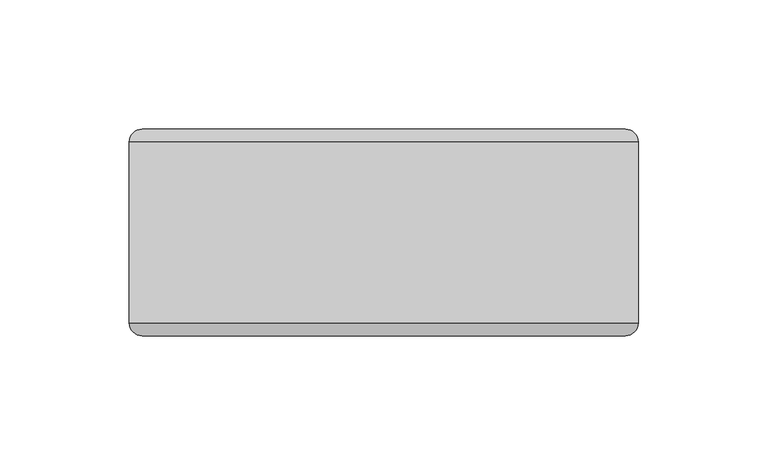
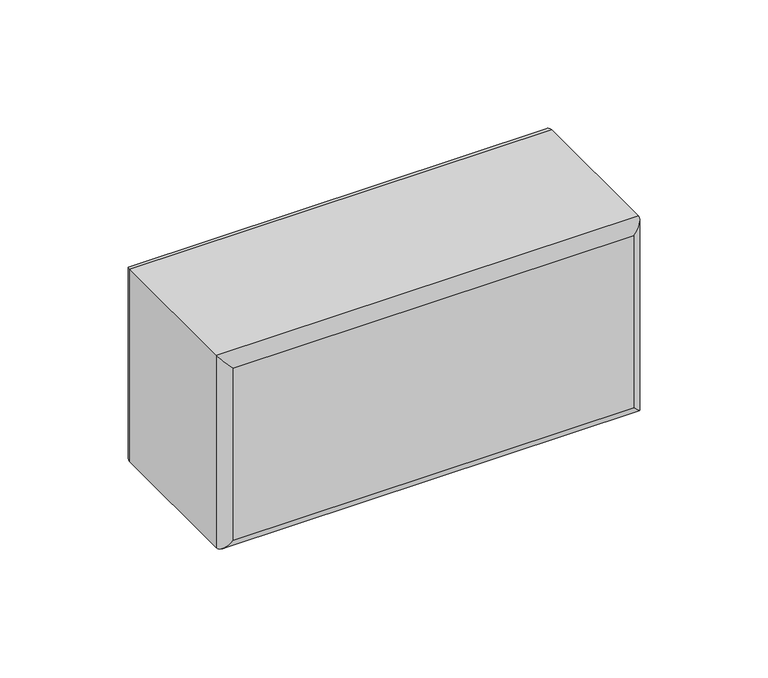
"""IFC4 building model written with IfcOpenShell, lengths in millimetres: plate geometry."""

from ifc_helpers import new_model, si_unit, frame, origin, place, context, project, spatial, ellipse_curve, source, transform, mapped, element, save
from ifc_brep_helpers import plane_surface, cylinder_surface, advanced_brep


def plate_8c2e2411(model_context):
    return source(origin(), model_context, "Body", "AdvancedBrep", [
        advanced_brep(
        [(-98.4250002, -35.0, 95.0), (98.5749998, -35.0, 95.0), (98.5749998, 35.0, 95.0), (-98.4250002, 35.0, 95.0), (98.5749998, -35.0, 0.0), (-98.4250002, -35.0, 0.0), (-98.4250002, 35.0, 0.0), (98.5749998, 35.0, 0.0), (-93.4250002, -40.0, 5.0), (93.5749998, -40.0, 5.0), (93.5749998, -40.0, 90.0), (-93.4250002, -40.0, 90.0), (93.5749998, 40.0, 5.0), (-93.4250002, 40.0, 5.0), (-93.4250002, 40.0, 90.0), (93.5749998, 40.0, 90.0)],
        [
            (0, 1),
            (1, 2),
            (2, 3),
            (3, 0),
            (4, 5),
            (5, 6),
            (6, 7),
            (7, 4),
            (8, 9),
            (9, 10),
            (10, 11),
            (11, 8),
            (1, 4),
            (7, 2),
            (12, 13),
            (13, 14),
            (14, 15),
            (15, 12),
            (5, 0),
            (3, 6),
            (4, 9, ellipse_curve(frame((93.5749998, -35.0, 5.0), z_axis=(-0.7071067811865475, 0.0, -0.7071067811865475), x_axis=(0.7071067811865476, 0.0, -0.7071067811865474)), 7.0710678, 5.0)),
            (8, 5, ellipse_curve(frame((-93.4250002, -35.0, 5.0), z_axis=(0.7071067811865475, 0.0, -0.7071067811865475), x_axis=(0.7071067811865476, 0.0, 0.7071067811865474)), 7.0710678, 5.0)),
            (1, 10, ellipse_curve(frame((93.5749998, -35.0, 90.0), z_axis=(0.7071067811865475, 0.0, -0.7071067811865475), x_axis=(0.7071067811865474, 0.0, 0.7071067811865476)), 7.0710678, 5.0)),
            (0, 11, ellipse_curve(frame((-93.4250002, -35.0, 90.0), z_axis=(0.7071067811865475, 0.0, 0.7071067811865475), x_axis=(-0.7071067811865476, 0.0, 0.7071067811865474)), 7.0710678, 5.0)),
            (12, 7, ellipse_curve(frame((93.5749998, 35.0, 5.0), z_axis=(-0.7071067811865475, 0.0, -0.7071067811865475), x_axis=(0.7071067811865476, 0.0, -0.7071067811865474)), 7.0710678, 5.0)),
            (6, 13, ellipse_curve(frame((-93.4250002, 35.0, 5.0), z_axis=(0.7071067811865475, 0.0, -0.7071067811865475), x_axis=(0.7071067811865476, 0.0, 0.7071067811865474)), 7.0710678, 5.0)),
            (15, 2, ellipse_curve(frame((93.5749998, 35.0, 90.0), z_axis=(0.7071067811865475, 0.0, -0.7071067811865475), x_axis=(0.7071067811865474, 0.0, 0.7071067811865476)), 7.0710678, 5.0)),
            (14, 3, ellipse_curve(frame((-93.4250002, 35.0, 90.0), z_axis=(0.7071067811865475, 0.0, 0.7071067811865475), x_axis=(-0.7071067811865476, 0.0, 0.7071067811865474)), 7.0710678, 5.0)),
        ],
        [
            plane_surface(frame((-98.4250002, -40.0, 95.0), z_axis=(0.0, 0.0, 1.0), x_axis=(1.0, 0.0, 0.0))),
            plane_surface(frame((-98.4250002, -40.0, 0.0), z_axis=(0.0, 0.0, -1.0), x_axis=(-1.0, 0.0, 0.0))),
            plane_surface(frame((-98.4250002, -40.0, 95.0), z_axis=(0.0, -1.0, 0.0), x_axis=(0.0, 0.0, -1.0))),
            plane_surface(frame((98.5749998, -40.0, 95.0), z_axis=(1.0, 0.0, 0.0), x_axis=(0.0, 0.0, -1.0))),
            plane_surface(frame((98.5749998, 40.0, 95.0), z_axis=(0.0, 1.0, 0.0), x_axis=(0.0, 0.0, -1.0))),
            plane_surface(frame((-98.4250002, 40.0, 95.0), z_axis=(-1.0, 0.0, 0.0), x_axis=(0.0, 0.0, -1.0))),
            cylinder_surface(frame((-98.4250002, -35.0, 5.0), z_axis=(1.0, 0.0, 0.0), x_axis=(0.0, 0.0, -1.0)), 5.0),
            cylinder_surface(frame((93.5749998, -35.0, 0.0), z_axis=(0.0, 0.0, 1.0), x_axis=(1.0, 0.0, 0.0)), 5.0),
            cylinder_surface(frame((98.5749998, -35.0, 90.0), z_axis=(-1.0, 0.0, 0.0), x_axis=(0.0, 0.0, 1.0)), 5.0),
            cylinder_surface(frame((-93.4250002, -35.0, 95.0), z_axis=(0.0, 0.0, -1.0), x_axis=(-1.0, 0.0, 0.0)), 5.0),
            cylinder_surface(frame((-98.4250002, 35.0, 5.0), z_axis=(1.0, 0.0, 0.0), x_axis=(0.0, 0.0, -1.0)), 5.0),
            cylinder_surface(frame((93.5749998, 35.0, 0.0), z_axis=(0.0, 0.0, 1.0), x_axis=(1.0, 0.0, 0.0)), 5.0),
            cylinder_surface(frame((98.5749998, 35.0, 90.0), z_axis=(-1.0, 0.0, 0.0), x_axis=(0.0, 0.0, 1.0)), 5.0),
            cylinder_surface(frame((-93.4250002, 35.0, 95.0), z_axis=(0.0, 0.0, -1.0), x_axis=(-1.0, 0.0, 0.0)), 5.0),
        ],
        [
            (0, [[1, 2, 3, 4]]),
            (1, [[5, 6, 7, 8]]),
            (2, [[9, 10, 11, 12]]),
            (3, [[13, -8, 14, -2]]),
            (4, [[15, 16, 17, 18]]),
            (5, [[19, -4, 20, -6]]),
            (6, [[21, -9, 22, -5]]),
            (7, [[-21, -13, 23, -10]]),
            (8, [[-23, -1, 24, -11]]),
            (9, [[-22, -12, -24, -19]]),
            (10, [[25, -7, 26, -15]]),
            (11, [[-25, -18, 27, -14]]),
            (12, [[-27, -17, 28, -3]]),
            (13, [[-26, -20, -28, -16]]),
        ],
    ),
    ])


if __name__ == "__main__":
    model = new_model("IFC4")
    model_context = context("Model", 3, world=origin())
    ifc_project = project(units=[si_unit("LENGTHUNIT", "METRE", prefix="MILLI")], contexts=[model_context])
    site = spatial("IfcSite", under=ifc_project)
    building = spatial("IfcBuilding", under=site)
    placement = place(None, origin())
    plate_shape = plate_8c2e2411(model_context)
    element("IfcPlate", 1, at=placement, inside=building, context=model_context, shape_type="MappedRepresentation", body=[
        mapped(plate_shape, transform((0.0, 0.0, 0.0), x_axis=(1.0, 0.0, 0.0), y_axis=(0.0, 1.0, 0.0), z_axis=(0.0, 0.0, 1.0))),
    ])
    save(model, "model.ifc")
